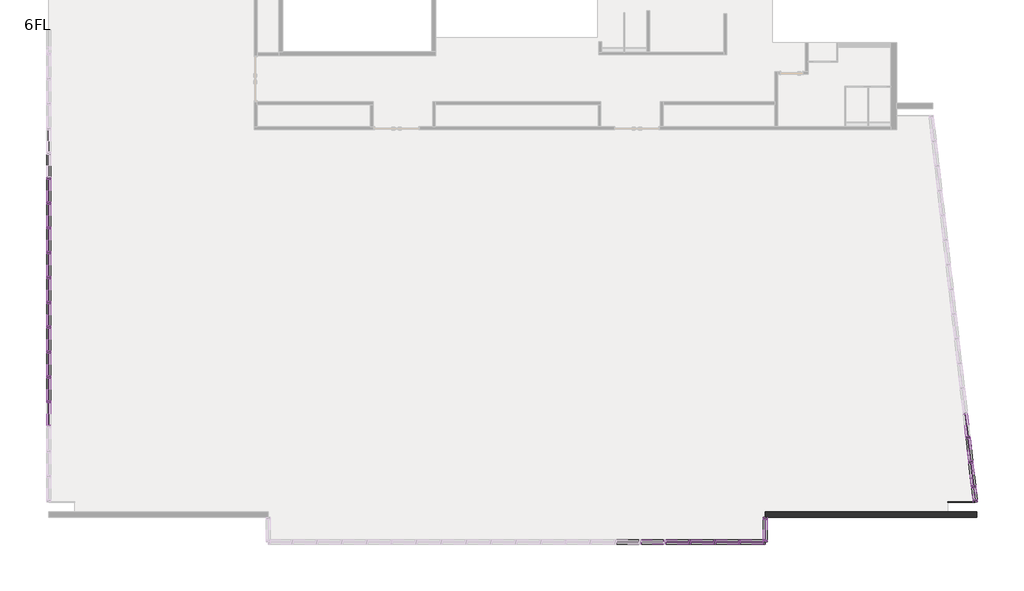
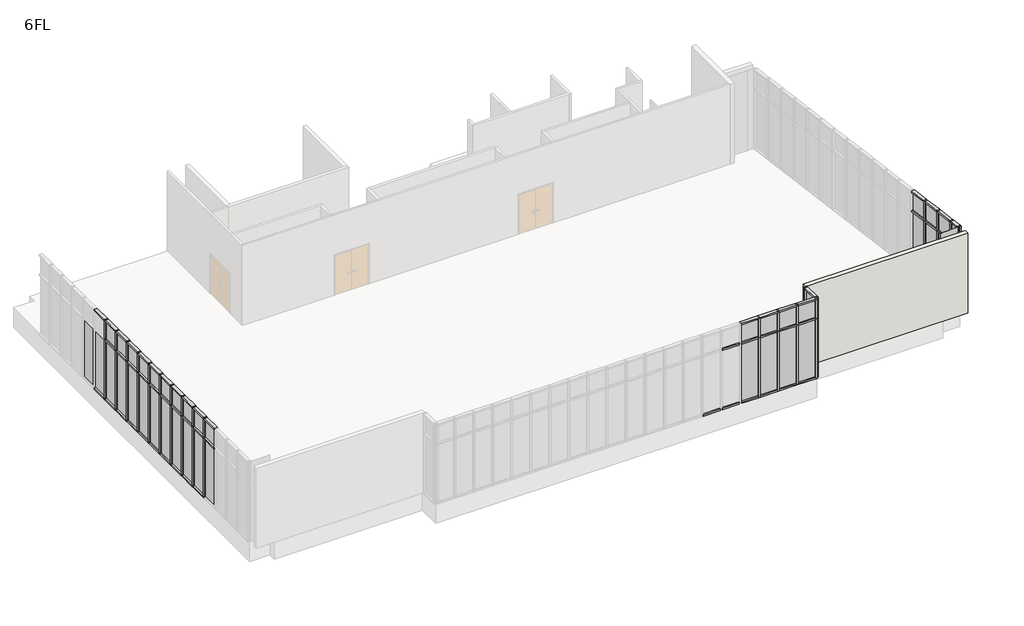
# One storey, part 2 of 4: 100 members, 42 plates, 1 wall.
"""IFC4 building model written with IfcOpenShell, lengths in millimetres."""

import ifcopenshell
import ifcopenshell.guid

model = None  # the IFC model being written
_history = None  # IfcOwnerHistory: only IFC2X3 demands one
_inside = {}  # id of a spatial element -> (the spatial element, [elements in it])
_under = {}  # id of a project, library or spatial element -> (it, [spatial elements below it])
_declared = {}  # id of a project -> (the project, [libraries it declares])
_typed = {}  # id of a type object -> (the type object, [elements of that type])
_made_of = {}  # id of a material, layer set ... -> (it, [elements and type objects made of it])


def new_model(schema):
    """Start an empty IFC model of exactly this schema.

    Asked for "IFC4X3", IfcOpenShell would pick the latest addendum, in which some entities
    have other attributes; the version numbers below select the first issue.
    IFC2X3 requires an IfcOwnerHistory on every rooted entity: one is made here for all.
    """
    global model, _history
    if schema == "IFC4X3":
        model = ifcopenshell.file(schema_version=(4, 3, 0, 0))
    else:
        model = ifcopenshell.file(schema=schema)
    _inside.clear()
    _under.clear()
    _declared.clear()
    _typed.clear()
    _made_of.clear()
    _history = None
    if model.schema == "IFC2X3":
        org = make("IfcOrganization", Name="unknown")
        user = make(
            "IfcPersonAndOrganization",
            ThePerson=make("IfcPerson", FamilyName="unknown"),
            TheOrganization=org,
        )
        app = make(
            "IfcApplication",
            ApplicationDeveloper=org,
            Version="unknown",
            ApplicationFullName="unknown",
            ApplicationIdentifier="unknown",
        )
        _history = make(
            "IfcOwnerHistory",
            OwningUser=user,
            OwningApplication=app,
            ChangeAction="ADDED",
            CreationDate=0,
        )
    return model


def make(cls, **values):
    """One entity of the class cls with the attributes given. An attribute that is None is left unset."""
    return model.create_entity(
        cls, **{name: value for name, value in values.items() if value is not None}
    )


def rooted(cls, **values):
    """An entity with a GlobalId (a new one), such as an element, a storey or a relation."""
    return make(cls, GlobalId=ifcopenshell.guid.new(), OwnerHistory=_history, **values)


def si_unit(unit_type, name, prefix=None):
    """IfcSIUnit, for example si_unit("LENGTHUNIT", "METRE", prefix="MILLI")."""
    return make("IfcSIUnit", UnitType=unit_type, Prefix=prefix, Name=name)


def assignment(units):
    """IfcUnitAssignment: the units of a project."""
    return None if units is None else make("IfcUnitAssignment", Units=units)


def point(xyz):
    """IfcCartesianPoint."""
    return None if xyz is None else make("IfcCartesianPoint", Coordinates=xyz)


def direction(xyz):
    """IfcDirection."""
    return None if xyz is None else make("IfcDirection", DirectionRatios=xyz)


def frame(location, z_axis=None, x_axis=None):
    """IfcAxis2Placement3D, a coordinate frame: its origin and axes. An axis left out is left unset."""
    return make(
        "IfcAxis2Placement3D",
        Location=point(location),
        Axis=direction(z_axis),
        RefDirection=direction(x_axis),
    )


def origin():
    """The frame at (0, 0, 0) with its axes left unset."""
    return frame((0.0, 0.0, 0.0))


def origin_with_axes():
    """The frame at (0, 0, 0) with the z axis (0, 0, 1) and the x axis (1, 0, 0) written out."""
    return frame((0.0, 0.0, 0.0), z_axis=(0.0, 0.0, 1.0), x_axis=(1.0, 0.0, 0.0))


def place(relative_to, where):
    """IfcLocalPlacement: puts the frame where relative to a parent placement (None: the world)."""
    return make(
        "IfcLocalPlacement", PlacementRelTo=relative_to, RelativePlacement=where
    )


def context(
    kind, dimensions, precision=None, world=None, true_north=None, identifier=None
):
    """IfcGeometricRepresentationContext, for example the 3D "Model" context."""
    return make(
        "IfcGeometricRepresentationContext",
        ContextIdentifier=identifier,
        ContextType=kind,
        CoordinateSpaceDimension=dimensions,
        Precision=precision,
        WorldCoordinateSystem=world,
        TrueNorth=true_north,
    )


def project(units=None, contexts=None):
    """IfcProject with its units and contexts."""
    return rooted(
        "IfcProject",
        Name="project",
        RepresentationContexts=contexts,
        UnitsInContext=assignment(units),
    )


def spatial(cls, under=None, at=None, **own):
    """A site, building, storey or space (cls), placed at a placement, below another one or the project."""
    s = rooted(cls, ObjectPlacement=at, **own)
    if under is not None:
        _under.setdefault(under.id(), (under, []))[1].append(s)
    return s


def polyline(points):
    """IfcPolyline through the points."""
    return make("IfcPolyline", Points=[point(p) for p in points])


def outline(outer, holes=None, kind="AREA"):
    """IfcArbitraryClosedProfileDef: a profile drawn as a closed curve; with holes, ...WithVoids."""
    if holes is None:
        return make("IfcArbitraryClosedProfileDef", ProfileType=kind, OuterCurve=outer)
    return make(
        "IfcArbitraryProfileDefWithVoids",
        ProfileType=kind,
        OuterCurve=outer,
        InnerCurves=holes,
    )


def extrude(swept, where, along, depth):
    """IfcExtrudedAreaSolid: the profile swept, set in the frame where, extruded along a direction by depth."""
    return make(
        "IfcExtrudedAreaSolid",
        SweptArea=swept,
        Position=where,
        ExtrudedDirection=direction(along),
        Depth=depth,
    )


def shape(context_of_items, identifier, shape_type, items):
    """IfcShapeRepresentation: the items that make up one representation, for example the "Body"."""
    return make(
        "IfcShapeRepresentation",
        ContextOfItems=context_of_items,
        RepresentationIdentifier=identifier,
        RepresentationType=shape_type,
        Items=items,
    )


def source(mapping_origin, context_of_items, identifier, shape_type, items):
    """IfcRepresentationMap: a shape defined once, which mapped items show again and again."""
    return make(
        "IfcRepresentationMap",
        MappingOrigin=mapping_origin,
        MappedRepresentation=shape(context_of_items, identifier, shape_type, items),
    )


def transform(
    local_origin,
    x_axis=None,
    y_axis=None,
    z_axis=None,
    scale=None,
    scale2=None,
    scale3=None,
    uniform=True,
):
    """IfcCartesianTransformationOperator3D, or its non-uniform kind. x_axis, y_axis, z_axis: its Axis1, 2, 3."""
    if uniform:
        return make(
            "IfcCartesianTransformationOperator3D",
            Axis1=direction(x_axis),
            Axis2=direction(y_axis),
            LocalOrigin=point(local_origin),
            Scale=scale,
            Axis3=direction(z_axis),
        )
    return make(
        "IfcCartesianTransformationOperator3DnonUniform",
        Axis1=direction(x_axis),
        Axis2=direction(y_axis),
        LocalOrigin=point(local_origin),
        Scale=scale,
        Axis3=direction(z_axis),
        Scale2=scale2,
        Scale3=scale3,
    )


def mapped(mapping_source, mapping_target):
    """IfcMappedItem: shows the shape of a source again, moved by a transform."""
    return make(
        "IfcMappedItem", MappingSource=mapping_source, MappingTarget=mapping_target
    )


def made_of(thing, what):
    """Note that an element or type object is made of a material, layer set ...; save() writes the relation."""
    if what is not None:
        _made_of.setdefault(what.id(), (what, []))[1].append(thing)
    return thing


def element(
    cls,
    number,
    at=None,
    inside=None,
    cuts=None,
    type_object=None,
    material=None,
    context=None,
    identifier="Body",
    shape_type=None,
    held_by="IfcProductDefinitionShape",
    body=None,
    shapes=None,
    **own,
):
    """One element of the class cls, such as IfcWall. Its Tag is "e" and its number.

    at: its placement. inside: the storey or other place that contains it. cuts: it is an
    opening in that element (IfcRelVoidsElement). A single representation is given by context,
    identifier, shape_type and body (its items); several are given by shapes. held_by: the class
    of the entity that holds the representations. save() writes the other relations.
    """
    e = rooted(cls, Tag="e%d" % number, ObjectPlacement=at, **own)
    if body is not None:
        shapes = [shape(context, identifier, shape_type, body)]
    if shapes is not None:
        e.Representation = make(held_by, Representations=shapes)
    if inside is not None:
        _inside.setdefault(inside.id(), (inside, []))[1].append(e)
    if cuts is not None:
        rooted(
            "IfcRelVoidsElement", RelatingBuildingElement=cuts, RelatedOpeningElement=e
        )
    if type_object is not None:
        _typed.setdefault(type_object.id(), (type_object, []))[1].append(e)
    return made_of(e, material)


def aggregate(whole, parts):
    """IfcRelAggregates: a whole, such as a stair, and the parts it consists of."""
    return rooted("IfcRelAggregates", RelatingObject=whole, RelatedObjects=parts)


def save(model, path):
    """Write the relations noted so far, then the file.

    IfcRelAggregates (storeys below a building ...), IfcRelContainedInSpatialStructure (elements
    in a storey), IfcRelDefinesByType, IfcRelAssociatesMaterial and IfcRelDeclares: one each for
    every whole, place, type object, material and project.
    """
    for whole, parts in _under.values():
        aggregate(whole, parts)
    for where, things in _inside.values():
        rooted(
            "IfcRelContainedInSpatialStructure",
            RelatedElements=things,
            RelatingStructure=where,
        )
    for kind, things in _typed.values():
        rooted("IfcRelDefinesByType", RelatedObjects=things, RelatingType=kind)
    for what, things in _made_of.values():
        rooted("IfcRelAssociatesMaterial", RelatedObjects=things, RelatingMaterial=what)
    for by, libraries in _declared.values():
        rooted("IfcRelDeclares", RelatingContext=by, RelatedDefinitions=libraries)
    model.write(path)


def member_70x150_cdd4dcf9(model_context):
    return source(origin(), model_context, "Body", "SweptSolid", [
        extrude(outline(polyline([(35.0, 75.0), (35.0, -75.0), (-35.0, -75.0), (-35.0, 75.0), (35.0, 75.0)])), frame((0.0, 0.0, -3000.0), z_axis=(0.0, 0.0, 1.0), x_axis=(1.0, 0.0, 0.0)), (0.0, 0.0, 1.0), 3000.0),
    ])


def member_70x150_9a135ce4(model_context):
    return source(origin(), model_context, "Body", "SweptSolid", [
        extrude(outline(polyline([(0.0, 75.0), (0.0, -75.0), (-70.0, -75.0), (-70.0, 75.0), (0.0, 75.0)])), frame((0.0, 0.0, -760.0), z_axis=(0.0, 0.0, 1.0), x_axis=(1.0, 0.0, 0.0)), (0.0, 0.0, 1.0), 760.0),
    ])


def member_70x150_66cf63de(model_context):
    return source(origin(), model_context, "Body", "SweptSolid", [
        extrude(outline(polyline([(0.0, 75.0), (0.0, -75.0), (-70.0, -75.0), (-70.0, 75.0), (0.0, 75.0)])), frame((0.0, 0.0, -830.0), z_axis=(0.0, 0.0, 1.0), x_axis=(1.0, 0.0, 0.0)), (0.0, 0.0, 1.0), 830.0),
    ])


def member_70x150_26475b18(model_context):
    return source(origin(), model_context, "Body", "SweptSolid", [
        extrude(outline(polyline([(35.0, 75.0), (35.0, -75.0), (-35.0, -75.0), (-35.0, 75.0), (35.0, 75.0)])), frame((0.0, 0.0, -1000.0), z_axis=(0.0, 0.0, 1.0), x_axis=(1.0, 0.0, 0.0)), (0.0, 0.0, 1.0), 1000.0),
    ])


def member_70x150_ad4265bc(model_context):
    return source(origin(), model_context, "Body", "SweptSolid", [
        extrude(outline(polyline([(35.0, 75.0), (35.0, -75.0), (-35.0, -75.0), (-35.0, 75.0), (35.0, 75.0)])), frame((0.0, 0.0, -830.0), z_axis=(0.0, 0.0, 1.0), x_axis=(1.0, 0.0, 0.0)), (0.0, 0.0, 1.0), 830.0),
    ])


def member_70x150_e0eddb57(model_context):
    return source(origin(), model_context, "Body", "SweptSolid", [
        extrude(outline(polyline([(35.0, 75.0), (35.0, -75.0), (-35.0, -75.0), (-35.0, 75.0), (35.0, 75.0)])), frame((0.0, 0.0, -760.0), z_axis=(0.0, 0.0, 1.0), x_axis=(1.0, 0.0, 0.0)), (0.0, 0.0, 1.0), 760.0),
    ])


def member_70x150_1b280ac3(model_context):
    return source(origin(), model_context, "Body", "SweptSolid", [
        extrude(outline(polyline([(0.0, 75.0), (0.0, -75.0), (-70.0, -75.0), (-70.0, 75.0), (0.0, 75.0)])), frame((0.0, 0.0, -3000.0), z_axis=(0.0, 0.0, 1.0), x_axis=(1.0, 0.0, 0.0)), (0.0, 0.0, 1.0), 3000.0),
    ])


def member_70x150_76429c73(model_context):
    return source(origin(), model_context, "Body", "SweptSolid", [
        extrude(outline(polyline([(0.0, 75.0), (0.0, -75.0), (-70.0, -75.0), (-70.0, 75.0), (0.0, 75.0)])), frame((0.0, 0.0, -1000.0), z_axis=(0.0, 0.0, 1.0), x_axis=(1.0, 0.0, 0.0)), (0.0, 0.0, 1.0), 1000.0),
    ])


def member_70x150_98b0aed0(model_context):
    return source(origin(), model_context, "Body", "SweptSolid", [
        extrude(outline(polyline([(0.0, 75.0), (0.0, -75.0), (-70.0, -75.0), (-70.0, 75.0), (0.0, 75.0)])), frame((0.0, 0.0, -451.131963), z_axis=(0.0, 0.0, 1.0), x_axis=(1.0, 0.0, 0.0)), (0.0, 0.0, 1.0), 451.131963),
    ])


def member_70x150_87b27eb4(model_context):
    return source(origin(), model_context, "Body", "SweptSolid", [
        extrude(outline(polyline([(35.0, 75.0), (35.0, -75.0), (-35.0, -75.0), (-35.0, 75.0), (35.0, 75.0)])), frame((0.0, 0.0, -451.131963), z_axis=(0.0, 0.0, 1.0), x_axis=(1.0, 0.0, 0.0)), (0.0, 0.0, 1.0), 451.131963),
    ])


def plate_d1366ea1(model_context):
    return source(origin(), model_context, "Body", "SweptSolid", [
        extrude(outline(polyline([(450.0, -5.0), (-450.0, -5.0), (-450.0, 5.0), (450.0, 5.0), (450.0, -5.0)])), origin_with_axes(), (0.0, 0.0, 1.0), 4000.0),
    ])


def plate_5a60b334(model_context):
    return source(origin(), model_context, "Body", "SweptSolid", [
        extrude(outline(polyline([(53.254713, -5.0), (-53.254713, -5.0), (-53.254713, 5.0), (53.254713, 5.0), (53.254713, -5.0)])), origin_with_axes(), (0.0, 0.0, 1.0), 4000.0),
    ])


def plate_28587fd3(model_context):
    return source(origin(), model_context, "Body", "SweptSolid", [
        extrude(outline(polyline([(415.0, -5.0), (-415.0, -5.0), (-415.0, 5.0), (415.0, 5.0), (415.0, -5.0)])), origin_with_axes(), (0.0, 0.0, 1.0), 2895.0),
    ])


def plate_4b01b467(model_context):
    return source(origin(), model_context, "Body", "SweptSolid", [
        extrude(outline(polyline([(380.0, -5.0), (-380.0, -5.0), (-380.0, 5.0), (380.0, 5.0), (380.0, -5.0)])), origin_with_axes(), (0.0, 0.0, 1.0), 2895.0),
    ])


def plate_396bcf3c(model_context):
    return source(origin(), model_context, "Body", "SweptSolid", [
        extrude(outline(polyline([(415.0, -5.0), (-415.0, -5.0), (-415.0, 5.0), (415.0, 5.0), (415.0, -5.0)])), origin_with_axes(), (0.0, 0.0, 1.0), 895.0),
    ])


def plate_83f08a3e(model_context):
    return source(origin(), model_context, "Body", "SweptSolid", [
        extrude(outline(polyline([(380.0, -5.0), (-380.0, -5.0), (-380.0, 5.0), (380.0, 5.0), (380.0, -5.0)])), origin_with_axes(), (0.0, 0.0, 1.0), 895.0),
    ])


def plate_de90d239(model_context):
    return source(origin(), model_context, "Body", "SweptSolid", [
        extrude(outline(polyline([(225.5659815, -5.0), (-225.5659815, -5.0), (-225.5659815, 5.0), (225.5659815, 5.0), (225.5659815, -5.0)])), origin_with_axes(), (0.0, 0.0, 1.0), 2895.0),
    ])


def plate_46ceffe4(model_context):
    return source(origin(), model_context, "Body", "SweptSolid", [
        extrude(outline(polyline([(225.5659815, -5.0), (-225.5659815, -5.0), (-225.5659815, 5.0), (225.5659815, 5.0), (225.5659815, -5.0)])), origin_with_axes(), (0.0, 0.0, 1.0), 895.0),
    ])


model = new_model("IFC4")

# Units and contexts
model_context = context("Model", 3, world=origin())
ifc_project = project(units=[si_unit("LENGTHUNIT", "METRE", prefix="MILLI")], contexts=[model_context])

# Site, building, storey
site = spatial("IfcSite", under=ifc_project)
building = spatial("IfcBuilding", under=site)
storey = spatial("IfcBuildingStorey", under=building, Name="6FL", Elevation=20600.0)

# Members
placement = place(None, origin())
member_70x150_shape = member_70x150_cdd4dcf9(model_context)
element("IfcMember", 1, ObjectType="70x150", at=placement, inside=storey, context=model_context, shape_type="MappedRepresentation", body=[
    mapped(member_70x150_shape, transform((-5230.9784025, -4550.3131013, 20600.0), x_axis=(-1.0, 0.0, 0.0), y_axis=(0.0, 1.0, 0.0), z_axis=(0.0, 0.0, -1.0))),
])
element("IfcMember", 2, ObjectType="70x150", at=placement, inside=storey, context=model_context, shape_type="MappedRepresentation", body=[
    mapped(member_70x150_shape, transform((-4330.9784025, -4550.3131013, 20600.0), x_axis=(-1.0, 0.0, 0.0), y_axis=(0.0, 1.0, 0.0), z_axis=(0.0, 0.0, -1.0))),
])
element("IfcMember", 3, ObjectType="70x150", at=placement, inside=storey, context=model_context, shape_type="MappedRepresentation", body=[
    mapped(member_70x150_shape, transform((-6130.9784025, -4550.3131013, 20600.0), x_axis=(-1.0, 0.0, 0.0), y_axis=(0.0, 1.0, 0.0), z_axis=(0.0, 0.0, -1.0))),
])
element("IfcMember", 4, ObjectType="70x150", at=placement, inside=storey, context=model_context, shape_type="MappedRepresentation", body=[
    mapped(member_70x150_shape, transform((4147.3841348, -2547.7778257, 20600.0), x_axis=(0.11354659116072999, -0.9935326726564045, 0.0), y_axis=(-0.9935326726564045, -0.11354659116072999, 0.0), z_axis=(0.0, 0.0, -1.0))),
])
element("IfcMember", 5, ObjectType="70x150", at=placement, inside=storey, context=model_context, shape_type="MappedRepresentation", body=[
    mapped(member_70x150_shape, transform((4045.1922027, -1653.5984203, 20600.0), x_axis=(0.11354659116072999, -0.9935326726564045, 0.0), y_axis=(-0.9935326726564045, -0.11354659116072999, 0.0), z_axis=(0.0, 0.0, -1.0))),
])
element("IfcMember", 6, ObjectType="70x150", at=placement, inside=storey, context=model_context, shape_type="MappedRepresentation", body=[
    mapped(member_70x150_shape, transform((3943.0002707, -759.4190149, 20600.0), x_axis=(0.11354659116072999, -0.9935326726564045, 0.0), y_axis=(-0.9935326726564045, -0.11354659116072999, 0.0), z_axis=(0.0, 0.0, -1.0))),
])
element("IfcMember", 7, ObjectType="70x150", at=placement, inside=storey, context=model_context, shape_type="MappedRepresentation", body=[
    mapped(member_70x150_shape, transform((-29345.9784025, 8634.6868987, 20600.0), x_axis=(0.0, 1.0, 0.0), y_axis=(1.0, 0.0, 0.0), z_axis=(0.0, 0.0, -1.0))),
])
element("IfcMember", 8, ObjectType="70x150", at=placement, inside=storey, context=model_context, shape_type="MappedRepresentation", body=[
    mapped(member_70x150_shape, transform((-29345.9784025, 7734.6868987, 20600.0), x_axis=(0.0, 1.0, 0.0), y_axis=(1.0, 0.0, 0.0), z_axis=(0.0, 0.0, -1.0))),
])
element("IfcMember", 9, ObjectType="70x150", at=placement, inside=storey, context=model_context, shape_type="MappedRepresentation", body=[
    mapped(member_70x150_shape, transform((-29345.9784025, 6834.6868987, 20600.0), x_axis=(0.0, 1.0, 0.0), y_axis=(1.0, 0.0, 0.0), z_axis=(0.0, 0.0, -1.0))),
])
element("IfcMember", 10, ObjectType="70x150", at=placement, inside=storey, context=model_context, shape_type="MappedRepresentation", body=[
    mapped(member_70x150_shape, transform((-29345.9784025, 5934.6868987, 20600.0), x_axis=(0.0, 1.0, 0.0), y_axis=(1.0, 0.0, 0.0), z_axis=(0.0, 0.0, -1.0))),
])
element("IfcMember", 11, ObjectType="70x150", at=placement, inside=storey, context=model_context, shape_type="MappedRepresentation", body=[
    mapped(member_70x150_shape, transform((-29345.9784025, 5034.6868987, 20600.0), x_axis=(0.0, 1.0, 0.0), y_axis=(1.0, 0.0, 0.0), z_axis=(0.0, 0.0, -1.0))),
])
element("IfcMember", 12, ObjectType="70x150", at=placement, inside=storey, context=model_context, shape_type="MappedRepresentation", body=[
    mapped(member_70x150_shape, transform((-29345.9784025, 4134.6868987, 20600.0), x_axis=(0.0, 1.0, 0.0), y_axis=(1.0, 0.0, 0.0), z_axis=(0.0, 0.0, -1.0))),
])
element("IfcMember", 13, ObjectType="70x150", at=placement, inside=storey, context=model_context, shape_type="MappedRepresentation", body=[
    mapped(member_70x150_shape, transform((-29345.9784025, 3234.6868987, 20600.0), x_axis=(0.0, 1.0, 0.0), y_axis=(1.0, 0.0, 0.0), z_axis=(0.0, 0.0, -1.0))),
])
element("IfcMember", 14, ObjectType="70x150", at=placement, inside=storey, context=model_context, shape_type="MappedRepresentation", body=[
    mapped(member_70x150_shape, transform((-29345.9784025, 2334.6868987, 20600.0), x_axis=(0.0, 1.0, 0.0), y_axis=(1.0, 0.0, 0.0), z_axis=(0.0, 0.0, -1.0))),
])
element("IfcMember", 15, ObjectType="70x150", at=placement, inside=storey, context=model_context, shape_type="MappedRepresentation", body=[
    mapped(member_70x150_shape, transform((-29345.9784025, 1434.6868987, 20600.0), x_axis=(0.0, 1.0, 0.0), y_axis=(1.0, 0.0, 0.0), z_axis=(0.0, 0.0, -1.0))),
])
element("IfcMember", 16, ObjectType="70x150", at=placement, inside=storey, context=model_context, shape_type="MappedRepresentation", body=[
    mapped(member_70x150_shape, transform((-29345.9784025, 534.6868987, 20600.0), x_axis=(0.0, 1.0, 0.0), y_axis=(1.0, 0.0, 0.0), z_axis=(0.0, 0.0, -1.0))),
])
member_70x150_2_shape = member_70x150_9a135ce4(model_context)
element("IfcMember", 17, ObjectType="70x150", at=placement, inside=storey, context=model_context, shape_type="MappedRepresentation", body=[
    mapped(member_70x150_2_shape, transform((-3395.9784025, -4480.3131013, 24600.0), x_axis=(0.0, 0.0, 1.0), y_axis=(-1.0, 0.0, 0.0), z_axis=(0.0, -1.0, 0.0))),
])
member_70x150_3_shape = member_70x150_66cf63de(model_context)
element("IfcMember", 18, ObjectType="70x150", at=placement, inside=storey, context=model_context, shape_type="MappedRepresentation", body=[
    mapped(member_70x150_3_shape, transform((-3465.9784025, -4550.3131013, 20600.0), x_axis=(0.0, 0.0, -1.0), y_axis=(0.0, 1.0, 0.0), z_axis=(1.0, 0.0, 0.0))),
])
element("IfcMember", 19, ObjectType="70x150", at=placement, inside=storey, context=model_context, shape_type="MappedRepresentation", body=[
    mapped(member_70x150_3_shape, transform((-7065.9784025, -4550.3131013, 20600.0), x_axis=(0.0, 0.0, -1.0), y_axis=(0.0, 1.0, 0.0), z_axis=(1.0, 0.0, 0.0))),
])
element("IfcMember", 20, ObjectType="70x150", at=placement, inside=storey, context=model_context, shape_type="MappedRepresentation", body=[
    mapped(member_70x150_3_shape, transform((-7965.9784025, -4550.3131013, 20600.0), x_axis=(0.0, 0.0, -1.0), y_axis=(0.0, 1.0, 0.0), z_axis=(1.0, 0.0, 0.0))),
])
element("IfcMember", 21, ObjectType="70x150", at=placement, inside=storey, context=model_context, shape_type="MappedRepresentation", body=[
    mapped(member_70x150_3_shape, transform((-4365.9784025, -4550.3131013, 20600.0), x_axis=(0.0, 0.0, -1.0), y_axis=(0.0, 1.0, 0.0), z_axis=(1.0, 0.0, 0.0))),
])
element("IfcMember", 22, ObjectType="70x150", at=placement, inside=storey, context=model_context, shape_type="MappedRepresentation", body=[
    mapped(member_70x150_3_shape, transform((-6165.9784025, -4550.3131013, 20600.0), x_axis=(0.0, 0.0, -1.0), y_axis=(0.0, 1.0, 0.0), z_axis=(1.0, 0.0, 0.0))),
])
element("IfcMember", 23, ObjectType="70x150", at=placement, inside=storey, context=model_context, shape_type="MappedRepresentation", body=[
    mapped(member_70x150_3_shape, transform((-5265.9784025, -4550.3131013, 20600.0), x_axis=(0.0, 0.0, -1.0), y_axis=(0.0, 1.0, 0.0), z_axis=(1.0, 0.0, 0.0))),
])
element("IfcMember", 24, ObjectType="70x150", at=placement, inside=storey, context=model_context, shape_type="MappedRepresentation", body=[
    mapped(member_70x150_3_shape, transform((4049.1663334, -1688.3720639, 20600.0), x_axis=(0.0, 0.0, -1.0), y_axis=(-0.9935326726564044, -0.11354659116073008, 0.0), z_axis=(-0.11354659116073008, 0.9935326726564044, 0.0))),
])
element("IfcMember", 25, ObjectType="70x150", at=placement, inside=storey, context=model_context, shape_type="MappedRepresentation", body=[
    mapped(member_70x150_3_shape, transform((3946.9744014, -794.1926585, 20600.0), x_axis=(0.0, 0.0, -1.0), y_axis=(-0.9935326726564044, -0.1135465911607304, 0.0), z_axis=(-0.11354659116073039, 0.9935326726564043, 0.0))),
])
element("IfcMember", 26, ObjectType="70x150", at=placement, inside=storey, context=model_context, shape_type="MappedRepresentation", body=[
    mapped(member_70x150_3_shape, transform((-29345.9784025, 8669.6868987, 20600.0), x_axis=(0.0, 0.0, -1.0), y_axis=(1.0, 0.0, 0.0), z_axis=(0.0, -1.0, 0.0))),
])
element("IfcMember", 27, ObjectType="70x150", at=placement, inside=storey, context=model_context, shape_type="MappedRepresentation", body=[
    mapped(member_70x150_3_shape, transform((-29345.9784025, 7769.6868987, 20600.0), x_axis=(0.0, 0.0, -1.0), y_axis=(1.0, 0.0, 0.0), z_axis=(0.0, -1.0, 0.0))),
])
element("IfcMember", 28, ObjectType="70x150", at=placement, inside=storey, context=model_context, shape_type="MappedRepresentation", body=[
    mapped(member_70x150_3_shape, transform((-29345.9784025, 6869.6868987, 20600.0), x_axis=(0.0, 0.0, -1.0), y_axis=(1.0, 0.0, 0.0), z_axis=(0.0, -1.0, 0.0))),
])
element("IfcMember", 29, ObjectType="70x150", at=placement, inside=storey, context=model_context, shape_type="MappedRepresentation", body=[
    mapped(member_70x150_3_shape, transform((-29345.9784025, 5969.6868987, 20600.0), x_axis=(0.0, 0.0, -1.0), y_axis=(1.0, 0.0, 0.0), z_axis=(0.0, -1.0, 0.0))),
])
element("IfcMember", 30, ObjectType="70x150", at=placement, inside=storey, context=model_context, shape_type="MappedRepresentation", body=[
    mapped(member_70x150_3_shape, transform((-29345.9784025, 5069.6868987, 20600.0), x_axis=(0.0, 0.0, -1.0), y_axis=(1.0, 0.0, 0.0), z_axis=(0.0, -1.0, 0.0))),
])
element("IfcMember", 31, ObjectType="70x150", at=placement, inside=storey, context=model_context, shape_type="MappedRepresentation", body=[
    mapped(member_70x150_3_shape, transform((-29345.9784025, 4169.6868987, 20600.0), x_axis=(0.0, 0.0, -1.0), y_axis=(1.0, 0.0, 0.0), z_axis=(0.0, -1.0, 0.0))),
])
element("IfcMember", 32, ObjectType="70x150", at=placement, inside=storey, context=model_context, shape_type="MappedRepresentation", body=[
    mapped(member_70x150_3_shape, transform((-29345.9784025, 3269.6868987, 20600.0), x_axis=(0.0, 0.0, -1.0), y_axis=(1.0, 0.0, 0.0), z_axis=(0.0, -1.0, 0.0))),
])
element("IfcMember", 33, ObjectType="70x150", at=placement, inside=storey, context=model_context, shape_type="MappedRepresentation", body=[
    mapped(member_70x150_3_shape, transform((-29345.9784025, 2369.6868987, 20600.0), x_axis=(0.0, 0.0, -1.0), y_axis=(1.0, 0.0, 0.0), z_axis=(0.0, -1.0, 0.0))),
])
element("IfcMember", 34, ObjectType="70x150", at=placement, inside=storey, context=model_context, shape_type="MappedRepresentation", body=[
    mapped(member_70x150_3_shape, transform((-29345.9784025, 1469.6868987, 20600.0), x_axis=(0.0, 0.0, -1.0), y_axis=(1.0, 0.0, 0.0), z_axis=(0.0, -1.0, 0.0))),
])
element("IfcMember", 35, ObjectType="70x150", at=placement, inside=storey, context=model_context, shape_type="MappedRepresentation", body=[
    mapped(member_70x150_3_shape, transform((-29345.9784025, 569.6868987, 20600.0), x_axis=(0.0, 0.0, -1.0), y_axis=(1.0, 0.0, 0.0), z_axis=(0.0, -1.0, 0.0))),
])
element("IfcMember", 36, ObjectType="70x150", at=placement, inside=storey, context=model_context, shape_type="MappedRepresentation", body=[
    mapped(member_70x150_3_shape, transform((-6995.9784025, -4550.3131013, 24600.0), x_axis=(0.0, 0.0, 1.0), y_axis=(0.0, 1.0, 0.0), z_axis=(-1.0, 0.0, 0.0))),
])
element("IfcMember", 37, ObjectType="70x150", at=placement, inside=storey, context=model_context, shape_type="MappedRepresentation", body=[
    mapped(member_70x150_3_shape, transform((-6095.9784025, -4550.3131013, 24600.0), x_axis=(0.0, 0.0, 1.0), y_axis=(0.0, 1.0, 0.0), z_axis=(-1.0, 0.0, 0.0))),
])
element("IfcMember", 38, ObjectType="70x150", at=placement, inside=storey, context=model_context, shape_type="MappedRepresentation", body=[
    mapped(member_70x150_3_shape, transform((-5195.9784025, -4550.3131013, 24600.0), x_axis=(0.0, 0.0, 1.0), y_axis=(0.0, 1.0, 0.0), z_axis=(-1.0, 0.0, 0.0))),
])
element("IfcMember", 39, ObjectType="70x150", at=placement, inside=storey, context=model_context, shape_type="MappedRepresentation", body=[
    mapped(member_70x150_3_shape, transform((-4295.9784025, -4550.3131013, 24600.0), x_axis=(0.0, 0.0, 1.0), y_axis=(0.0, 1.0, 0.0), z_axis=(-1.0, 0.0, 0.0))),
])
element("IfcMember", 40, ObjectType="70x150", at=placement, inside=storey, context=model_context, shape_type="MappedRepresentation", body=[
    mapped(member_70x150_3_shape, transform((4143.4100041, -2513.0041822, 24600.0), x_axis=(0.0, 0.0, 1.0), y_axis=(-0.9935326726564044, -0.11354659116073008, 0.0), z_axis=(0.11354659116073008, -0.9935326726564044, 0.0))),
])
element("IfcMember", 41, ObjectType="70x150", at=placement, inside=storey, context=model_context, shape_type="MappedRepresentation", body=[
    mapped(member_70x150_3_shape, transform((4041.2180721, -1618.8247768, 24600.0), x_axis=(0.0, 0.0, 1.0), y_axis=(-0.9935326726564044, -0.1135465911607304, 0.0), z_axis=(0.11354659116073039, -0.9935326726564043, 0.0))),
])
element("IfcMember", 42, ObjectType="70x150", at=placement, inside=storey, context=model_context, shape_type="MappedRepresentation", body=[
    mapped(member_70x150_3_shape, transform((3939.02614, -724.6453714, 24600.0), x_axis=(0.0, 0.0, 1.0), y_axis=(-0.9935326726564044, -0.11354659116072975, 0.0), z_axis=(0.11354659116072975, -0.9935326726564044, 0.0))),
])
element("IfcMember", 43, ObjectType="70x150", at=placement, inside=storey, context=model_context, shape_type="MappedRepresentation", body=[
    mapped(member_70x150_3_shape, transform((-29345.9784025, 9499.6868987, 24600.0), x_axis=(0.0, 0.0, 1.0), y_axis=(1.0, 0.0, 0.0), z_axis=(0.0, 1.0, 0.0))),
])
element("IfcMember", 44, ObjectType="70x150", at=placement, inside=storey, context=model_context, shape_type="MappedRepresentation", body=[
    mapped(member_70x150_3_shape, transform((-29345.9784025, 8599.6868987, 24600.0), x_axis=(0.0, 0.0, 1.0), y_axis=(1.0, 0.0, 0.0), z_axis=(0.0, 1.0, 0.0))),
])
element("IfcMember", 45, ObjectType="70x150", at=placement, inside=storey, context=model_context, shape_type="MappedRepresentation", body=[
    mapped(member_70x150_3_shape, transform((-29345.9784025, 7699.6868987, 24600.0), x_axis=(0.0, 0.0, 1.0), y_axis=(1.0, 0.0, 0.0), z_axis=(0.0, 1.0, 0.0))),
])
element("IfcMember", 46, ObjectType="70x150", at=placement, inside=storey, context=model_context, shape_type="MappedRepresentation", body=[
    mapped(member_70x150_3_shape, transform((-29345.9784025, 6799.6868987, 24600.0), x_axis=(0.0, 0.0, 1.0), y_axis=(1.0, 0.0, 0.0), z_axis=(0.0, 1.0, 0.0))),
])
element("IfcMember", 47, ObjectType="70x150", at=placement, inside=storey, context=model_context, shape_type="MappedRepresentation", body=[
    mapped(member_70x150_3_shape, transform((-29345.9784025, 5899.6868987, 24600.0), x_axis=(0.0, 0.0, 1.0), y_axis=(1.0, 0.0, 0.0), z_axis=(0.0, 1.0, 0.0))),
])
element("IfcMember", 48, ObjectType="70x150", at=placement, inside=storey, context=model_context, shape_type="MappedRepresentation", body=[
    mapped(member_70x150_3_shape, transform((-29345.9784025, 4999.6868987, 24600.0), x_axis=(0.0, 0.0, 1.0), y_axis=(1.0, 0.0, 0.0), z_axis=(0.0, 1.0, 0.0))),
])
element("IfcMember", 49, ObjectType="70x150", at=placement, inside=storey, context=model_context, shape_type="MappedRepresentation", body=[
    mapped(member_70x150_3_shape, transform((-29345.9784025, 4099.6868987, 24600.0), x_axis=(0.0, 0.0, 1.0), y_axis=(1.0, 0.0, 0.0), z_axis=(0.0, 1.0, 0.0))),
])
element("IfcMember", 50, ObjectType="70x150", at=placement, inside=storey, context=model_context, shape_type="MappedRepresentation", body=[
    mapped(member_70x150_3_shape, transform((-29345.9784025, 3199.6868987, 24600.0), x_axis=(0.0, 0.0, 1.0), y_axis=(1.0, 0.0, 0.0), z_axis=(0.0, 1.0, 0.0))),
])
element("IfcMember", 51, ObjectType="70x150", at=placement, inside=storey, context=model_context, shape_type="MappedRepresentation", body=[
    mapped(member_70x150_3_shape, transform((-29345.9784025, 2299.6868987, 24600.0), x_axis=(0.0, 0.0, 1.0), y_axis=(1.0, 0.0, 0.0), z_axis=(0.0, 1.0, 0.0))),
])
element("IfcMember", 52, ObjectType="70x150", at=placement, inside=storey, context=model_context, shape_type="MappedRepresentation", body=[
    mapped(member_70x150_3_shape, transform((-29345.9784025, 1399.6868987, 24600.0), x_axis=(0.0, 0.0, 1.0), y_axis=(1.0, 0.0, 0.0), z_axis=(0.0, 1.0, 0.0))),
])
element("IfcMember", 53, ObjectType="70x150", at=placement, inside=storey, context=model_context, shape_type="MappedRepresentation", body=[
    mapped(member_70x150_3_shape, transform((-29345.9784025, 499.6868987, 24600.0), x_axis=(0.0, 0.0, 1.0), y_axis=(1.0, 0.0, 0.0), z_axis=(0.0, 1.0, 0.0))),
])
element("IfcMember", 54, ObjectType="70x150", at=placement, inside=storey, context=model_context, shape_type="MappedRepresentation", body=[
    mapped(member_70x150_2_shape, transform((-3395.9784025, -3720.3131013, 20600.0), x_axis=(0.0, 0.0, -1.0), y_axis=(-1.0, 0.0, 0.0), z_axis=(0.0, 1.0, 0.0))),
])
member_70x150_4_shape = member_70x150_26475b18(model_context)
element("IfcMember", 55, ObjectType="70x150", at=placement, inside=storey, context=model_context, shape_type="MappedRepresentation", body=[
    mapped(member_70x150_4_shape, transform((-6130.9784025, -4550.3131013, 23600.0), x_axis=(-1.0, 0.0, 0.0), y_axis=(0.0, 1.0, 0.0), z_axis=(0.0, 0.0, -1.0))),
])
element("IfcMember", 56, ObjectType="70x150", at=placement, inside=storey, context=model_context, shape_type="MappedRepresentation", body=[
    mapped(member_70x150_4_shape, transform((-5230.9784025, -4550.3131013, 23600.0), x_axis=(-1.0, 0.0, 0.0), y_axis=(0.0, 1.0, 0.0), z_axis=(0.0, 0.0, -1.0))),
])
element("IfcMember", 57, ObjectType="70x150", at=placement, inside=storey, context=model_context, shape_type="MappedRepresentation", body=[
    mapped(member_70x150_4_shape, transform((-4330.9784025, -4550.3131013, 23600.0), x_axis=(-1.0, 0.0, 0.0), y_axis=(0.0, 1.0, 0.0), z_axis=(0.0, 0.0, -1.0))),
])
element("IfcMember", 58, ObjectType="70x150", at=placement, inside=storey, context=model_context, shape_type="MappedRepresentation", body=[
    mapped(member_70x150_4_shape, transform((3943.0002707, -759.4190149, 23600.0), x_axis=(0.11354659116072999, -0.9935326726564045, 0.0), y_axis=(-0.9935326726564045, -0.11354659116072999, 0.0), z_axis=(0.0, 0.0, -1.0))),
])
element("IfcMember", 59, ObjectType="70x150", at=placement, inside=storey, context=model_context, shape_type="MappedRepresentation", body=[
    mapped(member_70x150_4_shape, transform((4045.1922027, -1653.5984203, 23600.0), x_axis=(0.11354659116072999, -0.9935326726564045, 0.0), y_axis=(-0.9935326726564045, -0.11354659116072999, 0.0), z_axis=(0.0, 0.0, -1.0))),
])
element("IfcMember", 60, ObjectType="70x150", at=placement, inside=storey, context=model_context, shape_type="MappedRepresentation", body=[
    mapped(member_70x150_4_shape, transform((4147.3841348, -2547.7778257, 23600.0), x_axis=(0.11354659116072999, -0.9935326726564045, 0.0), y_axis=(-0.9935326726564045, -0.11354659116072999, 0.0), z_axis=(0.0, 0.0, -1.0))),
])
element("IfcMember", 61, ObjectType="70x150", at=placement, inside=storey, context=model_context, shape_type="MappedRepresentation", body=[
    mapped(member_70x150_4_shape, transform((-29345.9784025, 8634.6868987, 23600.0), x_axis=(0.0, 1.0, 0.0), y_axis=(1.0, 0.0, 0.0), z_axis=(0.0, 0.0, -1.0))),
])
element("IfcMember", 62, ObjectType="70x150", at=placement, inside=storey, context=model_context, shape_type="MappedRepresentation", body=[
    mapped(member_70x150_4_shape, transform((-29345.9784025, 7734.6868987, 23600.0), x_axis=(0.0, 1.0, 0.0), y_axis=(1.0, 0.0, 0.0), z_axis=(0.0, 0.0, -1.0))),
])
element("IfcMember", 63, ObjectType="70x150", at=placement, inside=storey, context=model_context, shape_type="MappedRepresentation", body=[
    mapped(member_70x150_4_shape, transform((-29345.9784025, 6834.6868987, 23600.0), x_axis=(0.0, 1.0, 0.0), y_axis=(1.0, 0.0, 0.0), z_axis=(0.0, 0.0, -1.0))),
])
element("IfcMember", 64, ObjectType="70x150", at=placement, inside=storey, context=model_context, shape_type="MappedRepresentation", body=[
    mapped(member_70x150_4_shape, transform((-29345.9784025, 5934.6868987, 23600.0), x_axis=(0.0, 1.0, 0.0), y_axis=(1.0, 0.0, 0.0), z_axis=(0.0, 0.0, -1.0))),
])
element("IfcMember", 65, ObjectType="70x150", at=placement, inside=storey, context=model_context, shape_type="MappedRepresentation", body=[
    mapped(member_70x150_4_shape, transform((-29345.9784025, 5034.6868987, 23600.0), x_axis=(0.0, 1.0, 0.0), y_axis=(1.0, 0.0, 0.0), z_axis=(0.0, 0.0, -1.0))),
])
element("IfcMember", 66, ObjectType="70x150", at=placement, inside=storey, context=model_context, shape_type="MappedRepresentation", body=[
    mapped(member_70x150_4_shape, transform((-29345.9784025, 4134.6868987, 23600.0), x_axis=(0.0, 1.0, 0.0), y_axis=(1.0, 0.0, 0.0), z_axis=(0.0, 0.0, -1.0))),
])
element("IfcMember", 67, ObjectType="70x150", at=placement, inside=storey, context=model_context, shape_type="MappedRepresentation", body=[
    mapped(member_70x150_4_shape, transform((-29345.9784025, 3234.6868987, 23600.0), x_axis=(0.0, 1.0, 0.0), y_axis=(1.0, 0.0, 0.0), z_axis=(0.0, 0.0, -1.0))),
])
element("IfcMember", 68, ObjectType="70x150", at=placement, inside=storey, context=model_context, shape_type="MappedRepresentation", body=[
    mapped(member_70x150_4_shape, transform((-29345.9784025, 2334.6868987, 23600.0), x_axis=(0.0, 1.0, 0.0), y_axis=(1.0, 0.0, 0.0), z_axis=(0.0, 0.0, -1.0))),
])
element("IfcMember", 69, ObjectType="70x150", at=placement, inside=storey, context=model_context, shape_type="MappedRepresentation", body=[
    mapped(member_70x150_4_shape, transform((-29345.9784025, 1434.6868987, 23600.0), x_axis=(0.0, 1.0, 0.0), y_axis=(1.0, 0.0, 0.0), z_axis=(0.0, 0.0, -1.0))),
])
element("IfcMember", 70, ObjectType="70x150", at=placement, inside=storey, context=model_context, shape_type="MappedRepresentation", body=[
    mapped(member_70x150_4_shape, transform((-29345.9784025, 534.6868987, 23600.0), x_axis=(0.0, 1.0, 0.0), y_axis=(1.0, 0.0, 0.0), z_axis=(0.0, 0.0, -1.0))),
])
member_70x150_5_shape = member_70x150_ad4265bc(model_context)
element("IfcMember", 71, ObjectType="70x150", at=placement, inside=storey, context=model_context, shape_type="MappedRepresentation", body=[
    mapped(member_70x150_5_shape, transform((-5195.9784025, -4550.3131013, 23600.0), x_axis=(0.0, 0.0, 1.0), y_axis=(0.0, 1.0, 0.0), z_axis=(-1.0, 0.0, 0.0))),
])
element("IfcMember", 72, ObjectType="70x150", at=placement, inside=storey, context=model_context, shape_type="MappedRepresentation", body=[
    mapped(member_70x150_5_shape, transform((-6995.9784025, -4550.3131013, 23600.0), x_axis=(0.0, 0.0, 1.0), y_axis=(0.0, 1.0, 0.0), z_axis=(-1.0, 0.0, 0.0))),
])
element("IfcMember", 73, ObjectType="70x150", at=placement, inside=storey, context=model_context, shape_type="MappedRepresentation", body=[
    mapped(member_70x150_5_shape, transform((-7895.9784025, -4550.3131013, 23600.0), x_axis=(0.0, 0.0, 1.0), y_axis=(0.0, 1.0, 0.0), z_axis=(-1.0, 0.0, 0.0))),
])
element("IfcMember", 74, ObjectType="70x150", at=placement, inside=storey, context=model_context, shape_type="MappedRepresentation", body=[
    mapped(member_70x150_5_shape, transform((-6095.9784025, -4550.3131013, 23600.0), x_axis=(0.0, 0.0, 1.0), y_axis=(0.0, 1.0, 0.0), z_axis=(-1.0, 0.0, 0.0))),
])
element("IfcMember", 75, ObjectType="70x150", at=placement, inside=storey, context=model_context, shape_type="MappedRepresentation", body=[
    mapped(member_70x150_5_shape, transform((-4295.9784025, -4550.3131013, 23600.0), x_axis=(0.0, 0.0, 1.0), y_axis=(0.0, 1.0, 0.0), z_axis=(-1.0, 0.0, 0.0))),
])
element("IfcMember", 76, ObjectType="70x150", at=placement, inside=storey, context=model_context, shape_type="MappedRepresentation", body=[
    mapped(member_70x150_5_shape, transform((4143.4100041, -2513.0041822, 23600.0), x_axis=(0.0, 0.0, 1.0), y_axis=(-0.9935326726564044, -0.11354659116073008, 0.0), z_axis=(0.11354659116073008, -0.9935326726564044, 0.0))),
])
element("IfcMember", 77, ObjectType="70x150", at=placement, inside=storey, context=model_context, shape_type="MappedRepresentation", body=[
    mapped(member_70x150_5_shape, transform((4041.2180721, -1618.8247768, 23600.0), x_axis=(0.0, 0.0, 1.0), y_axis=(-0.9935326726564044, -0.1135465911607304, 0.0), z_axis=(0.11354659116073039, -0.9935326726564043, 0.0))),
])
element("IfcMember", 78, ObjectType="70x150", at=placement, inside=storey, context=model_context, shape_type="MappedRepresentation", body=[
    mapped(member_70x150_5_shape, transform((3939.02614, -724.6453714, 23600.0), x_axis=(0.0, 0.0, 1.0), y_axis=(-0.9935326726564044, -0.11354659116072975, 0.0), z_axis=(0.11354659116072975, -0.9935326726564044, 0.0))),
])
element("IfcMember", 79, ObjectType="70x150", at=placement, inside=storey, context=model_context, shape_type="MappedRepresentation", body=[
    mapped(member_70x150_5_shape, transform((-29345.9784025, 2299.6868987, 23600.0), x_axis=(0.0, 0.0, 1.0), y_axis=(1.0, 0.0, 0.0), z_axis=(0.0, 1.0, 0.0))),
])
element("IfcMember", 80, ObjectType="70x150", at=placement, inside=storey, context=model_context, shape_type="MappedRepresentation", body=[
    mapped(member_70x150_5_shape, transform((-29345.9784025, 499.6868987, 23600.0), x_axis=(0.0, 0.0, 1.0), y_axis=(1.0, 0.0, 0.0), z_axis=(0.0, 1.0, 0.0))),
])
element("IfcMember", 81, ObjectType="70x150", at=placement, inside=storey, context=model_context, shape_type="MappedRepresentation", body=[
    mapped(member_70x150_5_shape, transform((-29345.9784025, 3199.6868987, 23600.0), x_axis=(0.0, 0.0, 1.0), y_axis=(1.0, 0.0, 0.0), z_axis=(0.0, 1.0, 0.0))),
])
element("IfcMember", 82, ObjectType="70x150", at=placement, inside=storey, context=model_context, shape_type="MappedRepresentation", body=[
    mapped(member_70x150_5_shape, transform((-29345.9784025, 5899.6868987, 23600.0), x_axis=(0.0, 0.0, 1.0), y_axis=(1.0, 0.0, 0.0), z_axis=(0.0, 1.0, 0.0))),
])
element("IfcMember", 83, ObjectType="70x150", at=placement, inside=storey, context=model_context, shape_type="MappedRepresentation", body=[
    mapped(member_70x150_5_shape, transform((-29345.9784025, 7699.6868987, 23600.0), x_axis=(0.0, 0.0, 1.0), y_axis=(1.0, 0.0, 0.0), z_axis=(0.0, 1.0, 0.0))),
])
element("IfcMember", 84, ObjectType="70x150", at=placement, inside=storey, context=model_context, shape_type="MappedRepresentation", body=[
    mapped(member_70x150_5_shape, transform((-29345.9784025, 4099.6868987, 23600.0), x_axis=(0.0, 0.0, 1.0), y_axis=(1.0, 0.0, 0.0), z_axis=(0.0, 1.0, 0.0))),
])
element("IfcMember", 85, ObjectType="70x150", at=placement, inside=storey, context=model_context, shape_type="MappedRepresentation", body=[
    mapped(member_70x150_5_shape, transform((-29345.9784025, 1399.6868987, 23600.0), x_axis=(0.0, 0.0, 1.0), y_axis=(1.0, 0.0, 0.0), z_axis=(0.0, 1.0, 0.0))),
])
element("IfcMember", 86, ObjectType="70x150", at=placement, inside=storey, context=model_context, shape_type="MappedRepresentation", body=[
    mapped(member_70x150_5_shape, transform((-29345.9784025, 8599.6868987, 23600.0), x_axis=(0.0, 0.0, 1.0), y_axis=(1.0, 0.0, 0.0), z_axis=(0.0, 1.0, 0.0))),
])
element("IfcMember", 87, ObjectType="70x150", at=placement, inside=storey, context=model_context, shape_type="MappedRepresentation", body=[
    mapped(member_70x150_5_shape, transform((-29345.9784025, 4999.6868987, 23600.0), x_axis=(0.0, 0.0, 1.0), y_axis=(1.0, 0.0, 0.0), z_axis=(0.0, 1.0, 0.0))),
])
element("IfcMember", 88, ObjectType="70x150", at=placement, inside=storey, context=model_context, shape_type="MappedRepresentation", body=[
    mapped(member_70x150_5_shape, transform((-29345.9784025, 6799.6868987, 23600.0), x_axis=(0.0, 0.0, 1.0), y_axis=(1.0, 0.0, 0.0), z_axis=(0.0, 1.0, 0.0))),
])
member_70x150_6_shape = member_70x150_e0eddb57(model_context)
element("IfcMember", 89, ObjectType="70x150", at=placement, inside=storey, context=model_context, shape_type="MappedRepresentation", body=[
    mapped(member_70x150_6_shape, transform((-3395.9784025, -4480.3131013, 23600.0), x_axis=(0.0, 0.0, 1.0), y_axis=(-1.0, 0.0, 0.0), z_axis=(0.0, -1.0, 0.0))),
])
member_70x150_7_shape = member_70x150_1b280ac3(model_context)
element("IfcMember", 90, ObjectType="70x150", at=placement, inside=storey, context=model_context, shape_type="MappedRepresentation", body=[
    mapped(member_70x150_7_shape, transform((4210.5310234, -3100.3131013, 20600.0), x_axis=(0.11354659116072999, -0.9935326726564045, 0.0), y_axis=(-0.9935326726564045, -0.11354659116072999, 0.0), z_axis=(0.0, 0.0, -1.0))),
])
element("IfcMember", 91, ObjectType="70x150", at=placement, inside=storey, context=model_context, shape_type="MappedRepresentation", body=[
    mapped(member_70x150_7_shape, transform((-3395.9784025, -4550.3131013, 20600.0), x_axis=(0.0, -1.0, 0.0), y_axis=(-1.0, 0.0, 0.0), z_axis=(0.0, 0.0, -1.0))),
])
member_70x150_8_shape = member_70x150_76429c73(model_context)
element("IfcMember", 92, ObjectType="70x150", at=placement, inside=storey, context=model_context, shape_type="MappedRepresentation", body=[
    mapped(member_70x150_8_shape, transform((-3395.9784025, -4550.3131013, 24600.0), x_axis=(1.0, 0.0, 0.0), y_axis=(0.0, 1.0, 0.0), z_axis=(0.0, 0.0, 1.0))),
])
element("IfcMember", 93, ObjectType="70x150", at=placement, inside=storey, context=model_context, shape_type="MappedRepresentation", body=[
    mapped(member_70x150_8_shape, transform((-3395.9784025, -3650.3131013, 24600.0), x_axis=(0.0, 1.0, 0.0), y_axis=(-1.0, 0.0, 0.0), z_axis=(0.0, 0.0, 1.0))),
])
element("IfcMember", 94, ObjectType="70x150", at=placement, inside=storey, context=model_context, shape_type="MappedRepresentation", body=[
    mapped(member_70x150_8_shape, transform((4210.5310234, -3100.3131013, 23600.0), x_axis=(0.11354659116072999, -0.9935326726564045, 0.0), y_axis=(-0.9935326726564045, -0.11354659116072999, 0.0), z_axis=(0.0, 0.0, -1.0))),
])
element("IfcMember", 95, ObjectType="70x150", at=placement, inside=storey, context=model_context, shape_type="MappedRepresentation", body=[
    mapped(member_70x150_8_shape, transform((-3395.9784025, -4550.3131013, 23600.0), x_axis=(0.0, -1.0, 0.0), y_axis=(-1.0, 0.0, 0.0), z_axis=(0.0, 0.0, -1.0))),
])
element("IfcMember", 96, ObjectType="70x150", at=placement, inside=storey, context=model_context, shape_type="MappedRepresentation", body=[
    mapped(member_70x150_7_shape, transform((-3395.9784025, -4550.3131013, 23600.0), x_axis=(1.0, 0.0, 0.0), y_axis=(0.0, 1.0, 0.0), z_axis=(0.0, 0.0, 1.0))),
])
element("IfcMember", 97, ObjectType="70x150", at=placement, inside=storey, context=model_context, shape_type="MappedRepresentation", body=[
    mapped(member_70x150_7_shape, transform((-3395.9784025, -3650.3131013, 23600.0), x_axis=(0.0, 1.0, 0.0), y_axis=(-1.0, 0.0, 0.0), z_axis=(0.0, 0.0, 1.0))),
])
member_70x150_9_shape = member_70x150_98b0aed0(model_context)
element("IfcMember", 98, ObjectType="70x150", at=placement, inside=storey, context=model_context, shape_type="MappedRepresentation", body=[
    mapped(member_70x150_9_shape, transform((4202.582762, -3030.7658142, 24600.0), x_axis=(0.0, 0.0, 1.0), y_axis=(-0.9935326726564045, -0.11354659116072856, 0.0), z_axis=(0.11354659116072856, -0.9935326726564045, 0.0))),
])
element("IfcMember", 99, ObjectType="70x150", at=placement, inside=storey, context=model_context, shape_type="MappedRepresentation", body=[
    mapped(member_70x150_9_shape, transform((4151.3582655, -2582.5514692, 20600.0), x_axis=(0.0, 0.0, -1.0), y_axis=(-0.9935326726564045, -0.11354659116072856, 0.0), z_axis=(-0.11354659116072856, 0.9935326726564045, 0.0))),
])
member_70x150_10_shape = member_70x150_87b27eb4(model_context)
element("IfcMember", 100, ObjectType="70x150", at=placement, inside=storey, context=model_context, shape_type="MappedRepresentation", body=[
    mapped(member_70x150_10_shape, transform((4202.582762, -3030.7658142, 23600.0), x_axis=(0.0, 0.0, 1.0), y_axis=(-0.9935326726564045, -0.11354659116072856, 0.0), z_axis=(0.11354659116072856, -0.9935326726564045, 0.0))),
])

# Plates
plate_shape = plate_d1366ea1(model_context)
element("IfcPlate", 101, at=placement, inside=storey, context=model_context, shape_type="MappedRepresentation", body=[
    mapped(plate_shape, transform((3760.5310234, -3100.3131013, 20600.0), x_axis=(-1.0, 0.0, 0.0), y_axis=(0.0, -1.0, 0.0), z_axis=(0.0, 0.0, 1.0))),
])
plate_2_shape = plate_5a60b334(model_context)
element("IfcPlate", 102, at=placement, inside=storey, context=model_context, shape_type="MappedRepresentation", body=[
    mapped(plate_2_shape, transform((3257.2763105, -3100.3131013, 20600.0), x_axis=(-1.0, 0.0, 0.0), y_axis=(0.0, -1.0, 0.0), z_axis=(0.0, 0.0, 1.0))),
])
plate_3_shape = plate_28587fd3(model_context)
element("IfcPlate", 103, at=placement, inside=storey, context=model_context, shape_type="MappedRepresentation", body=[
    mapped(plate_3_shape, transform((3891.9043047, -312.3293122, 20670.0), x_axis=(0.11354659116072999, -0.9935326726564045, 0.0), y_axis=(0.9935326726564045, 0.11354659116072999, 0.0), z_axis=(0.0, 0.0, 1.0))),
])
element("IfcPlate", 104, at=placement, inside=storey, context=model_context, shape_type="MappedRepresentation", body=[
    mapped(plate_3_shape, transform((3994.0962367, -1206.5087176, 20670.0), x_axis=(0.11354659116072999, -0.9935326726564045, 0.0), y_axis=(0.9935326726564045, 0.11354659116072999, 0.0), z_axis=(0.0, 0.0, 1.0))),
])
element("IfcPlate", 105, at=placement, inside=storey, context=model_context, shape_type="MappedRepresentation", body=[
    mapped(plate_3_shape, transform((4096.2881688, -2100.688123, 20670.0), x_axis=(0.11354659116072999, -0.9935326726564045, 0.0), y_axis=(0.9935326726564045, 0.11354659116072999, 0.0), z_axis=(0.0, 0.0, 1.0))),
])
element("IfcPlate", 106, at=placement, inside=storey, context=model_context, shape_type="MappedRepresentation", body=[
    mapped(plate_3_shape, transform((-29345.9784025, 84.6868987, 20670.0), x_axis=(0.0, 1.0, 0.0), y_axis=(-1.0, 0.0, 0.0), z_axis=(0.0, 0.0, 1.0))),
])
element("IfcPlate", 107, at=placement, inside=storey, context=model_context, shape_type="MappedRepresentation", body=[
    mapped(plate_3_shape, transform((-29345.9784025, 984.6868987, 20670.0), x_axis=(0.0, 1.0, 0.0), y_axis=(-1.0, 0.0, 0.0), z_axis=(0.0, 0.0, 1.0))),
])
element("IfcPlate", 108, at=placement, inside=storey, context=model_context, shape_type="MappedRepresentation", body=[
    mapped(plate_3_shape, transform((-29345.9784025, 1884.6868987, 20670.0), x_axis=(0.0, 1.0, 0.0), y_axis=(-1.0, 0.0, 0.0), z_axis=(0.0, 0.0, 1.0))),
])
element("IfcPlate", 109, at=placement, inside=storey, context=model_context, shape_type="MappedRepresentation", body=[
    mapped(plate_3_shape, transform((-29345.9784025, 2784.6868987, 20670.0), x_axis=(0.0, 1.0, 0.0), y_axis=(-1.0, 0.0, 0.0), z_axis=(0.0, 0.0, 1.0))),
])
element("IfcPlate", 110, at=placement, inside=storey, context=model_context, shape_type="MappedRepresentation", body=[
    mapped(plate_3_shape, transform((-29345.9784025, 3684.6868987, 20670.0), x_axis=(0.0, 1.0, 0.0), y_axis=(-1.0, 0.0, 0.0), z_axis=(0.0, 0.0, 1.0))),
])
element("IfcPlate", 111, at=placement, inside=storey, context=model_context, shape_type="MappedRepresentation", body=[
    mapped(plate_3_shape, transform((-29345.9784025, 4584.6868987, 20670.0), x_axis=(0.0, 1.0, 0.0), y_axis=(-1.0, 0.0, 0.0), z_axis=(0.0, 0.0, 1.0))),
])
element("IfcPlate", 112, at=placement, inside=storey, context=model_context, shape_type="MappedRepresentation", body=[
    mapped(plate_3_shape, transform((-29345.9784025, 5484.6868987, 20670.0), x_axis=(0.0, 1.0, 0.0), y_axis=(-1.0, 0.0, 0.0), z_axis=(0.0, 0.0, 1.0))),
])
element("IfcPlate", 113, at=placement, inside=storey, context=model_context, shape_type="MappedRepresentation", body=[
    mapped(plate_3_shape, transform((-29345.9784025, 6384.6868987, 20670.0), x_axis=(0.0, 1.0, 0.0), y_axis=(-1.0, 0.0, 0.0), z_axis=(0.0, 0.0, 1.0))),
])
element("IfcPlate", 114, at=placement, inside=storey, context=model_context, shape_type="MappedRepresentation", body=[
    mapped(plate_3_shape, transform((-29345.9784025, 7284.6868987, 20670.0), x_axis=(0.0, 1.0, 0.0), y_axis=(-1.0, 0.0, 0.0), z_axis=(0.0, 0.0, 1.0))),
])
element("IfcPlate", 115, at=placement, inside=storey, context=model_context, shape_type="MappedRepresentation", body=[
    mapped(plate_3_shape, transform((-29345.9784025, 8184.6868987, 20670.0), x_axis=(0.0, 1.0, 0.0), y_axis=(-1.0, 0.0, 0.0), z_axis=(0.0, 0.0, 1.0))),
])
element("IfcPlate", 116, at=placement, inside=storey, context=model_context, shape_type="MappedRepresentation", body=[
    mapped(plate_3_shape, transform((-29345.9784025, 9084.6868987, 20670.0), x_axis=(0.0, 1.0, 0.0), y_axis=(-1.0, 0.0, 0.0), z_axis=(0.0, 0.0, 1.0))),
])
element("IfcPlate", 117, at=placement, inside=storey, context=model_context, shape_type="MappedRepresentation", body=[
    mapped(plate_3_shape, transform((-29345.9784025, 9984.6868987, 20670.0), x_axis=(0.0, 1.0, 0.0), y_axis=(-1.0, 0.0, 0.0), z_axis=(0.0, 0.0, 1.0))),
])
element("IfcPlate", 118, at=placement, inside=storey, context=model_context, shape_type="MappedRepresentation", body=[
    mapped(plate_3_shape, transform((-3880.9784025, -4550.3131013, 20670.0), x_axis=(-1.0, 0.0, 0.0), y_axis=(0.0, -1.0, 0.0), z_axis=(0.0, 0.0, 1.0))),
])
element("IfcPlate", 119, at=placement, inside=storey, context=model_context, shape_type="MappedRepresentation", body=[
    mapped(plate_3_shape, transform((-4780.9784025, -4550.3131013, 20670.0), x_axis=(-1.0, 0.0, 0.0), y_axis=(0.0, -1.0, 0.0), z_axis=(0.0, 0.0, 1.0))),
])
element("IfcPlate", 120, at=placement, inside=storey, context=model_context, shape_type="MappedRepresentation", body=[
    mapped(plate_3_shape, transform((-5680.9784025, -4550.3131013, 20670.0), x_axis=(-1.0, 0.0, 0.0), y_axis=(0.0, -1.0, 0.0), z_axis=(0.0, 0.0, 1.0))),
])
element("IfcPlate", 121, at=placement, inside=storey, context=model_context, shape_type="MappedRepresentation", body=[
    mapped(plate_3_shape, transform((-6580.9784025, -4550.3131013, 20670.0), x_axis=(-1.0, 0.0, 0.0), y_axis=(0.0, -1.0, 0.0), z_axis=(0.0, 0.0, 1.0))),
])
plate_4_shape = plate_4b01b467(model_context)
element("IfcPlate", 122, at=placement, inside=storey, context=model_context, shape_type="MappedRepresentation", body=[
    mapped(plate_4_shape, transform((-3395.9784025, -4100.3131013, 20670.0), x_axis=(0.0, -1.0, 0.0), y_axis=(1.0, 0.0, 0.0), z_axis=(0.0, 0.0, 1.0))),
])
plate_5_shape = plate_396bcf3c(model_context)
element("IfcPlate", 123, at=placement, inside=storey, context=model_context, shape_type="MappedRepresentation", body=[
    mapped(plate_5_shape, transform((-3880.9784025, -4550.3131013, 23635.0), x_axis=(-1.0, 0.0, 0.0), y_axis=(0.0, -1.0, 0.0), z_axis=(0.0, 0.0, 1.0))),
])
element("IfcPlate", 124, at=placement, inside=storey, context=model_context, shape_type="MappedRepresentation", body=[
    mapped(plate_5_shape, transform((-4780.9784025, -4550.3131013, 23635.0), x_axis=(-1.0, 0.0, 0.0), y_axis=(0.0, -1.0, 0.0), z_axis=(0.0, 0.0, 1.0))),
])
element("IfcPlate", 125, at=placement, inside=storey, context=model_context, shape_type="MappedRepresentation", body=[
    mapped(plate_5_shape, transform((-5680.9784025, -4550.3131013, 23635.0), x_axis=(-1.0, 0.0, 0.0), y_axis=(0.0, -1.0, 0.0), z_axis=(0.0, 0.0, 1.0))),
])
element("IfcPlate", 126, at=placement, inside=storey, context=model_context, shape_type="MappedRepresentation", body=[
    mapped(plate_5_shape, transform((-6580.9784025, -4550.3131013, 23635.0), x_axis=(-1.0, 0.0, 0.0), y_axis=(0.0, -1.0, 0.0), z_axis=(0.0, 0.0, 1.0))),
])
element("IfcPlate", 127, at=placement, inside=storey, context=model_context, shape_type="MappedRepresentation", body=[
    mapped(plate_5_shape, transform((3891.9043047, -312.3293122, 23635.0), x_axis=(0.11354659116072999, -0.9935326726564045, 0.0), y_axis=(0.9935326726564045, 0.11354659116072999, 0.0), z_axis=(0.0, 0.0, 1.0))),
])
element("IfcPlate", 128, at=placement, inside=storey, context=model_context, shape_type="MappedRepresentation", body=[
    mapped(plate_5_shape, transform((3994.0962367, -1206.5087176, 23635.0), x_axis=(0.11354659116072999, -0.9935326726564045, 0.0), y_axis=(0.9935326726564045, 0.11354659116072999, 0.0), z_axis=(0.0, 0.0, 1.0))),
])
element("IfcPlate", 129, at=placement, inside=storey, context=model_context, shape_type="MappedRepresentation", body=[
    mapped(plate_5_shape, transform((4096.2881688, -2100.688123, 23635.0), x_axis=(0.11354659116072999, -0.9935326726564045, 0.0), y_axis=(0.9935326726564045, 0.11354659116072999, 0.0), z_axis=(0.0, 0.0, 1.0))),
])
element("IfcPlate", 130, at=placement, inside=storey, context=model_context, shape_type="MappedRepresentation", body=[
    mapped(plate_5_shape, transform((-29345.9784025, 84.6868987, 23635.0), x_axis=(0.0, 1.0, 0.0), y_axis=(-1.0, 0.0, 0.0), z_axis=(0.0, 0.0, 1.0))),
])
element("IfcPlate", 131, at=placement, inside=storey, context=model_context, shape_type="MappedRepresentation", body=[
    mapped(plate_5_shape, transform((-29345.9784025, 984.6868987, 23635.0), x_axis=(0.0, 1.0, 0.0), y_axis=(-1.0, 0.0, 0.0), z_axis=(0.0, 0.0, 1.0))),
])
element("IfcPlate", 132, at=placement, inside=storey, context=model_context, shape_type="MappedRepresentation", body=[
    mapped(plate_5_shape, transform((-29345.9784025, 1884.6868987, 23635.0), x_axis=(0.0, 1.0, 0.0), y_axis=(-1.0, 0.0, 0.0), z_axis=(0.0, 0.0, 1.0))),
])
element("IfcPlate", 133, at=placement, inside=storey, context=model_context, shape_type="MappedRepresentation", body=[
    mapped(plate_5_shape, transform((-29345.9784025, 2784.6868987, 23635.0), x_axis=(0.0, 1.0, 0.0), y_axis=(-1.0, 0.0, 0.0), z_axis=(0.0, 0.0, 1.0))),
])
element("IfcPlate", 134, at=placement, inside=storey, context=model_context, shape_type="MappedRepresentation", body=[
    mapped(plate_5_shape, transform((-29345.9784025, 3684.6868987, 23635.0), x_axis=(0.0, 1.0, 0.0), y_axis=(-1.0, 0.0, 0.0), z_axis=(0.0, 0.0, 1.0))),
])
element("IfcPlate", 135, at=placement, inside=storey, context=model_context, shape_type="MappedRepresentation", body=[
    mapped(plate_5_shape, transform((-29345.9784025, 4584.6868987, 23635.0), x_axis=(0.0, 1.0, 0.0), y_axis=(-1.0, 0.0, 0.0), z_axis=(0.0, 0.0, 1.0))),
])
element("IfcPlate", 136, at=placement, inside=storey, context=model_context, shape_type="MappedRepresentation", body=[
    mapped(plate_5_shape, transform((-29345.9784025, 5484.6868987, 23635.0), x_axis=(0.0, 1.0, 0.0), y_axis=(-1.0, 0.0, 0.0), z_axis=(0.0, 0.0, 1.0))),
])
element("IfcPlate", 137, at=placement, inside=storey, context=model_context, shape_type="MappedRepresentation", body=[
    mapped(plate_5_shape, transform((-29345.9784025, 6384.6868987, 23635.0), x_axis=(0.0, 1.0, 0.0), y_axis=(-1.0, 0.0, 0.0), z_axis=(0.0, 0.0, 1.0))),
])
element("IfcPlate", 138, at=placement, inside=storey, context=model_context, shape_type="MappedRepresentation", body=[
    mapped(plate_5_shape, transform((-29345.9784025, 7284.6868987, 23635.0), x_axis=(0.0, 1.0, 0.0), y_axis=(-1.0, 0.0, 0.0), z_axis=(0.0, 0.0, 1.0))),
])
element("IfcPlate", 139, at=placement, inside=storey, context=model_context, shape_type="MappedRepresentation", body=[
    mapped(plate_5_shape, transform((-29345.9784025, 8184.6868987, 23635.0), x_axis=(0.0, 1.0, 0.0), y_axis=(-1.0, 0.0, 0.0), z_axis=(0.0, 0.0, 1.0))),
])
plate_6_shape = plate_83f08a3e(model_context)
element("IfcPlate", 140, at=placement, inside=storey, context=model_context, shape_type="MappedRepresentation", body=[
    mapped(plate_6_shape, transform((-3395.9784025, -4100.3131013, 23635.0), x_axis=(0.0, -1.0, 0.0), y_axis=(1.0, 0.0, 0.0), z_axis=(0.0, 0.0, 1.0))),
])
plate_7_shape = plate_de90d239(model_context)
element("IfcPlate", 141, at=placement, inside=storey, context=model_context, shape_type="MappedRepresentation", body=[
    mapped(plate_7_shape, transform((4176.9705138, -2806.6586417, 20670.0), x_axis=(0.11354659116072999, -0.9935326726564045, 0.0), y_axis=(0.9935326726564045, 0.11354659116072999, 0.0), z_axis=(0.0, 0.0, 1.0))),
])
plate_8_shape = plate_46ceffe4(model_context)
element("IfcPlate", 142, at=placement, inside=storey, context=model_context, shape_type="MappedRepresentation", body=[
    mapped(plate_8_shape, transform((4176.9705138, -2806.6586417, 23635.0), x_axis=(0.11354659116072999, -0.9935326726564045, 0.0), y_axis=(0.9935326726564045, 0.11354659116072999, 0.0), z_axis=(0.0, 0.0, 1.0))),
])

# Wall
element("IfcWall", 143, at=placement, inside=storey, context=model_context, shape_type="SweptSolid", body=[
    extrude(outline(polyline([(-3395.9784025, -3450.3131013), (4261.9595949, -3450.3131013), (4261.9595949, -3650.3131013), (-3395.9784025, -3650.3131013), (-3395.9784025, -3450.3131013)])), frame((0.0, 0.0, 20600.0), z_axis=(0.0, 0.0, 1.0), x_axis=(1.0, 0.0, 0.0)), (0.0, 0.0, 1.0), 4000.0),
])

save(model, "model.ifc")
